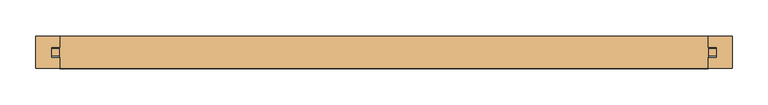
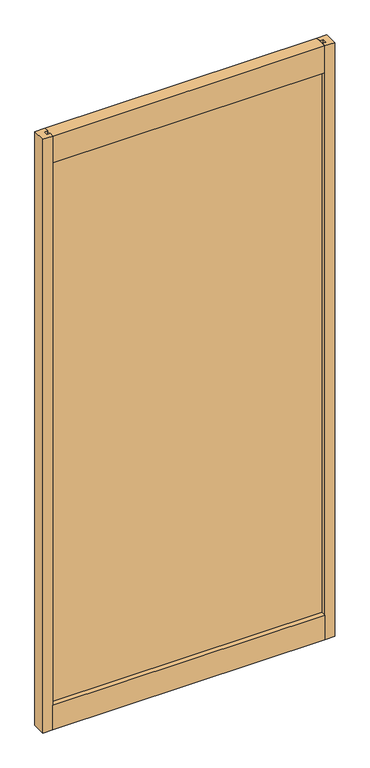
"""IFC4 building model written with IfcOpenShell, lengths in millimetres: door geometry."""

import ifcopenshell
import ifcopenshell.guid

model = None  # the IFC model being written
_history = None  # IfcOwnerHistory: only IFC2X3 demands one
_inside = {}  # id of a spatial element -> (the spatial element, [elements in it])
_under = {}  # id of a project, library or spatial element -> (it, [spatial elements below it])
_declared = {}  # id of a project -> (the project, [libraries it declares])
_typed = {}  # id of a type object -> (the type object, [elements of that type])
_made_of = {}  # id of a material, layer set ... -> (it, [elements and type objects made of it])


def new_model(schema):
    """Start an empty IFC model of exactly this schema.

    Asked for "IFC4X3", IfcOpenShell would pick the latest addendum, in which some entities
    have other attributes; the version numbers below select the first issue.
    IFC2X3 requires an IfcOwnerHistory on every rooted entity: one is made here for all.
    """
    global model, _history
    if schema == "IFC4X3":
        model = ifcopenshell.file(schema_version=(4, 3, 0, 0))
    else:
        model = ifcopenshell.file(schema=schema)
    _inside.clear()
    _under.clear()
    _declared.clear()
    _typed.clear()
    _made_of.clear()
    _history = None
    if model.schema == "IFC2X3":
        org = make("IfcOrganization", Name="unknown")
        user = make(
            "IfcPersonAndOrganization",
            ThePerson=make("IfcPerson", FamilyName="unknown"),
            TheOrganization=org,
        )
        app = make(
            "IfcApplication",
            ApplicationDeveloper=org,
            Version="unknown",
            ApplicationFullName="unknown",
            ApplicationIdentifier="unknown",
        )
        _history = make(
            "IfcOwnerHistory",
            OwningUser=user,
            OwningApplication=app,
            ChangeAction="ADDED",
            CreationDate=0,
        )
    return model


def make(cls, **values):
    """One entity of the class cls with the attributes given. An attribute that is None is left unset."""
    return model.create_entity(
        cls, **{name: value for name, value in values.items() if value is not None}
    )


def rooted(cls, **values):
    """An entity with a GlobalId (a new one), such as an element, a storey or a relation."""
    return make(cls, GlobalId=ifcopenshell.guid.new(), OwnerHistory=_history, **values)


def si_unit(unit_type, name, prefix=None):
    """IfcSIUnit, for example si_unit("LENGTHUNIT", "METRE", prefix="MILLI")."""
    return make("IfcSIUnit", UnitType=unit_type, Prefix=prefix, Name=name)


def assignment(units):
    """IfcUnitAssignment: the units of a project."""
    return None if units is None else make("IfcUnitAssignment", Units=units)


def point(xyz):
    """IfcCartesianPoint."""
    return None if xyz is None else make("IfcCartesianPoint", Coordinates=xyz)


def direction(xyz):
    """IfcDirection."""
    return None if xyz is None else make("IfcDirection", DirectionRatios=xyz)


def frame(location, z_axis=None, x_axis=None):
    """IfcAxis2Placement3D, a coordinate frame: its origin and axes. An axis left out is left unset."""
    return make(
        "IfcAxis2Placement3D",
        Location=point(location),
        Axis=direction(z_axis),
        RefDirection=direction(x_axis),
    )


def origin():
    """The frame at (0, 0, 0) with its axes left unset."""
    return frame((0.0, 0.0, 0.0))


def place(relative_to, where):
    """IfcLocalPlacement: puts the frame where relative to a parent placement (None: the world)."""
    return make(
        "IfcLocalPlacement", PlacementRelTo=relative_to, RelativePlacement=where
    )


def context(
    kind, dimensions, precision=None, world=None, true_north=None, identifier=None
):
    """IfcGeometricRepresentationContext, for example the 3D "Model" context."""
    return make(
        "IfcGeometricRepresentationContext",
        ContextIdentifier=identifier,
        ContextType=kind,
        CoordinateSpaceDimension=dimensions,
        Precision=precision,
        WorldCoordinateSystem=world,
        TrueNorth=true_north,
    )


def project(units=None, contexts=None):
    """IfcProject with its units and contexts."""
    return rooted(
        "IfcProject",
        Name="project",
        RepresentationContexts=contexts,
        UnitsInContext=assignment(units),
    )


def spatial(cls, under=None, at=None, **own):
    """A site, building, storey or space (cls), placed at a placement, below another one or the project."""
    s = rooted(cls, ObjectPlacement=at, **own)
    if under is not None:
        _under.setdefault(under.id(), (under, []))[1].append(s)
    return s


def polyline(points):
    """IfcPolyline through the points."""
    return make("IfcPolyline", Points=[point(p) for p in points])


def outline(outer, holes=None, kind="AREA"):
    """IfcArbitraryClosedProfileDef: a profile drawn as a closed curve; with holes, ...WithVoids."""
    if holes is None:
        return make("IfcArbitraryClosedProfileDef", ProfileType=kind, OuterCurve=outer)
    return make(
        "IfcArbitraryProfileDefWithVoids",
        ProfileType=kind,
        OuterCurve=outer,
        InnerCurves=holes,
    )


def extrude(swept, where, along, depth):
    """IfcExtrudedAreaSolid: the profile swept, set in the frame where, extruded along a direction by depth."""
    return make(
        "IfcExtrudedAreaSolid",
        SweptArea=swept,
        Position=where,
        ExtrudedDirection=direction(along),
        Depth=depth,
    )


def shape(context_of_items, identifier, shape_type, items):
    """IfcShapeRepresentation: the items that make up one representation, for example the "Body"."""
    return make(
        "IfcShapeRepresentation",
        ContextOfItems=context_of_items,
        RepresentationIdentifier=identifier,
        RepresentationType=shape_type,
        Items=items,
    )


def source(mapping_origin, context_of_items, identifier, shape_type, items):
    """IfcRepresentationMap: a shape defined once, which mapped items show again and again."""
    return make(
        "IfcRepresentationMap",
        MappingOrigin=mapping_origin,
        MappedRepresentation=shape(context_of_items, identifier, shape_type, items),
    )


def transform(
    local_origin,
    x_axis=None,
    y_axis=None,
    z_axis=None,
    scale=None,
    scale2=None,
    scale3=None,
    uniform=True,
):
    """IfcCartesianTransformationOperator3D, or its non-uniform kind. x_axis, y_axis, z_axis: its Axis1, 2, 3."""
    if uniform:
        return make(
            "IfcCartesianTransformationOperator3D",
            Axis1=direction(x_axis),
            Axis2=direction(y_axis),
            LocalOrigin=point(local_origin),
            Scale=scale,
            Axis3=direction(z_axis),
        )
    return make(
        "IfcCartesianTransformationOperator3DnonUniform",
        Axis1=direction(x_axis),
        Axis2=direction(y_axis),
        LocalOrigin=point(local_origin),
        Scale=scale,
        Axis3=direction(z_axis),
        Scale2=scale2,
        Scale3=scale3,
    )


def mapped(mapping_source, mapping_target):
    """IfcMappedItem: shows the shape of a source again, moved by a transform."""
    return make(
        "IfcMappedItem", MappingSource=mapping_source, MappingTarget=mapping_target
    )


def made_of(thing, what):
    """Note that an element or type object is made of a material, layer set ...; save() writes the relation."""
    if what is not None:
        _made_of.setdefault(what.id(), (what, []))[1].append(thing)
    return thing


def element(
    cls,
    number,
    at=None,
    inside=None,
    cuts=None,
    type_object=None,
    material=None,
    context=None,
    identifier="Body",
    shape_type=None,
    held_by="IfcProductDefinitionShape",
    body=None,
    shapes=None,
    **own,
):
    """One element of the class cls, such as IfcWall. Its Tag is "e" and its number.

    at: its placement. inside: the storey or other place that contains it. cuts: it is an
    opening in that element (IfcRelVoidsElement). A single representation is given by context,
    identifier, shape_type and body (its items); several are given by shapes. held_by: the class
    of the entity that holds the representations. save() writes the other relations.
    """
    e = rooted(cls, Tag="e%d" % number, ObjectPlacement=at, **own)
    if body is not None:
        shapes = [shape(context, identifier, shape_type, body)]
    if shapes is not None:
        e.Representation = make(held_by, Representations=shapes)
    if inside is not None:
        _inside.setdefault(inside.id(), (inside, []))[1].append(e)
    if cuts is not None:
        rooted(
            "IfcRelVoidsElement", RelatingBuildingElement=cuts, RelatedOpeningElement=e
        )
    if type_object is not None:
        _typed.setdefault(type_object.id(), (type_object, []))[1].append(e)
    return made_of(e, material)


def aggregate(whole, parts):
    """IfcRelAggregates: a whole, such as a stair, and the parts it consists of."""
    return rooted("IfcRelAggregates", RelatingObject=whole, RelatedObjects=parts)


def save(model, path):
    """Write the relations noted so far, then the file.

    IfcRelAggregates (storeys below a building ...), IfcRelContainedInSpatialStructure (elements
    in a storey), IfcRelDefinesByType, IfcRelAssociatesMaterial and IfcRelDeclares: one each for
    every whole, place, type object, material and project.
    """
    for whole, parts in _under.values():
        aggregate(whole, parts)
    for where, things in _inside.values():
        rooted(
            "IfcRelContainedInSpatialStructure",
            RelatedElements=things,
            RelatingStructure=where,
        )
    for kind, things in _typed.values():
        rooted("IfcRelDefinesByType", RelatedObjects=things, RelatingType=kind)
    for what, things in _made_of.values():
        rooted("IfcRelAssociatesMaterial", RelatedObjects=things, RelatingMaterial=what)
    for by, libraries in _declared.values():
        rooted("IfcRelDeclares", RelatingContext=by, RelatedDefinitions=libraries)
    model.write(path)


def door_59b589f3(model_context):
    return source(origin(), model_context, "Body", "SweptSolid", [
        extrude(outline(polyline([(462.4548215, 5.0038), (462.4548215, -5.0038), (-462.4548215, -5.0038), (-462.4548215, 5.0038), (462.4548215, 5.0038)])), frame((0.0, 0.0, 95.25), z_axis=(0.0, 0.0, 1.0), x_axis=(1.0, 0.0, 0.0)), (0.0, 0.0, 1.0), 1916.1635027),
        extrude(outline(polyline([(-484.0448215, 22.225), (-451.0248215, 22.225), (-451.0248215, 7.239), (-462.4548215, 7.239), (-462.4548215, -7.239), (-451.0248215, -7.239), (-451.0248215, -22.225), (-484.0448215, -22.225), (-484.0448215, 22.225)])), frame((0.0, 0.0, 12.7), z_axis=(0.0, 0.0, 1.0), x_axis=(1.0, 0.0, 0.0)), (0.0, 0.0, 1.0), 2081.2635027),
        extrude(outline(polyline([(484.0448215, 22.225), (484.0448215, -22.225), (451.0248215, -22.225), (451.0248215, -7.239), (462.4548215, -7.239), (462.4548215, 7.239), (451.0248215, 7.239), (451.0248215, 22.225), (484.0448215, 22.225)])), frame((0.0, 0.0, 12.7), z_axis=(0.0, 0.0, 1.0), x_axis=(1.0, 0.0, 0.0)), (0.0, 0.0, 1.0), 2081.2635027),
        extrude(outline(polyline([(22.733, 12.7), (-22.733, 12.7), (-22.733, 99.06), (-7.239, 99.06), (-7.239, 87.63), (7.239, 87.63), (7.239, 99.06), (22.733, 99.06), (22.733, 12.7)])), frame((-451.0248215, 0.0, 0.0), z_axis=(1.0, 0.0, 0.0), x_axis=(0.0, 1.0, 0.0)), (0.0, 0.0, 1.0), 902.0496429),
        extrude(outline(polyline([(-22.225, 2093.9635027), (22.225, 2093.9635027), (22.225, 1999.9835027), (6.731, 1999.9835027), (6.731, 2011.4135027), (-6.731, 2011.4135027), (-6.731, 1999.9835027), (-22.225, 1999.9835027), (-22.225, 2093.9635027)])), frame((-451.0248215, 0.0, 0.0), z_axis=(1.0, 0.0, 0.0), x_axis=(0.0, 1.0, 0.0)), (0.0, 0.0, 1.0), 902.0496429),
    ])


if __name__ == "__main__":
    model = new_model("IFC4")
    model_context = context("Model", 3, world=origin())
    ifc_project = project(units=[si_unit("LENGTHUNIT", "METRE", prefix="MILLI")], contexts=[model_context])
    site = spatial("IfcSite", under=ifc_project)
    building = spatial("IfcBuilding", under=site)
    placement = place(None, origin())
    door_shape = door_59b589f3(model_context)
    element("IfcDoor", 1, at=placement, inside=building, context=model_context, shape_type="MappedRepresentation", body=[
        mapped(door_shape, transform((0.0, 0.0, 0.0), x_axis=(1.0, 0.0, 0.0), y_axis=(0.0, 1.0, 0.0), z_axis=(0.0, 0.0, 1.0))),
    ])
    save(model, "model.ifc")
